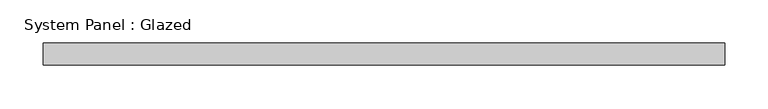
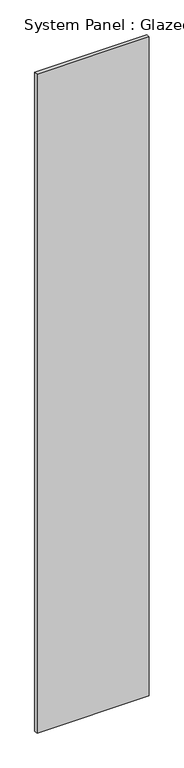
"""IFC4 building model written with IfcOpenShell, lengths in millimetres: plate geometry, System Panel : Glazed."""

from ifc_helpers import new_model, si_unit, origin, origin_with_axes, place, context, project, spatial, polyline, outline, extrude, source, transform, mapped, element, save


def system_panel_glazed_7e9edd6c(model_context):
    return source(origin(), model_context, "Body", "SweptSolid", [
        extrude(outline(polyline([(393.7000031, 19.05), (-393.7000031, 19.05), (-393.7000031, 44.45), (393.7000031, 44.45), (393.7000031, 19.05)])), origin_with_axes(), (0.0, 0.0, 1.0), 4876.8),
    ])


if __name__ == "__main__":
    model = new_model("IFC4")
    model_context = context("Model", 3, world=origin())
    ifc_project = project(units=[si_unit("LENGTHUNIT", "METRE", prefix="MILLI")], contexts=[model_context])
    site = spatial("IfcSite", under=ifc_project)
    building = spatial("IfcBuilding", under=site)
    placement = place(None, origin())
    system_panel_glazed_shape = system_panel_glazed_7e9edd6c(model_context)
    element("IfcPlate", 1, ObjectType="System Panel : Glazed", at=placement, inside=building, context=model_context, shape_type="MappedRepresentation", body=[
        mapped(system_panel_glazed_shape, transform((0.0, 0.0, 0.0), x_axis=(1.0, 0.0, 0.0), y_axis=(0.0, 1.0, 0.0), z_axis=(0.0, 0.0, 1.0))),
    ])
    save(model, "model.ifc")
